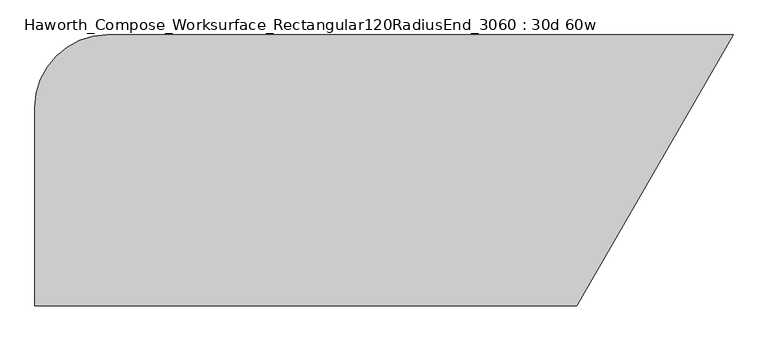
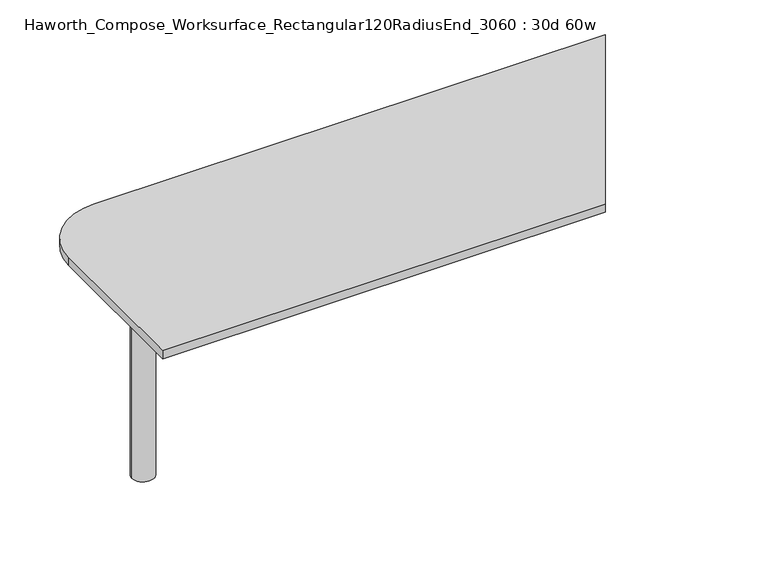
"""IFC4 building model written with IfcOpenShell, lengths in millimetres: furniture geometry, Haworth_Compose_Worksurface_Rectangular120RadiusEnd_3060 : 30d 60w."""

from ifc_helpers import new_model, si_unit, point, frame, frame_2d, origin, place, context, project, spatial, polyline, circle_curve, trimmed, segment, composite_curve, outline, extrude, source, transform, mapped, element, save
from ifc_brep_helpers import plane_surface, cylinder_surface, advanced_brep


def haworth_compose_worksurface_rectangular120radiusend_3060_30d_2a0c693b(model_context):
    return source(origin(), model_context, "Body", "SolidModel", [
        advanced_brep(
        [(-571.5, 0.0, 706.4375), (-609.6, 0.0, 706.4375), (-647.7, 0.0, 706.4375), (-571.5, 0.0, 0.0), (-647.7, 0.0, 0.0), (-609.6, 0.0, 0.0)],
        [
            (0, 1),
            (1, 2),
            (2, 0, circle_curve(frame((-609.6, 0.0, 706.4375), z_axis=(0.0, 0.0, 1.0), x_axis=(-1.0, 0.0, 0.0)), 38.1)),
            (0, 2, circle_curve(frame((-609.6, 0.0, 706.4375), z_axis=(0.0, 0.0, 1.0), x_axis=(-1.0, 0.0, 0.0)), 38.1)),
            (3, 0),
            (2, 4),
            (4, 3, circle_curve(frame((-609.6, 0.0, 0.0), z_axis=(0.0, 0.0, 1.0), x_axis=(-1.0, 0.0, 0.0)), 38.1)),
            (3, 4, circle_curve(frame((-609.6, 0.0, 0.0), z_axis=(0.0, 0.0, 1.0), x_axis=(-1.0, 0.0, 0.0)), 38.1)),
            (5, 3),
            (4, 5),
        ],
        [
            plane_surface(frame((-609.6, 0.0, 706.4375), z_axis=(0.0, 0.0, 1.0), x_axis=(-1.0, 0.0, 0.0))),
            cylinder_surface(frame((-609.6, 0.0, 889.623257), z_axis=(0.0, 0.0, -1.0), x_axis=(-1.0, 0.0, 0.0)), 38.1),
            plane_surface(frame((-609.6, 0.0, 0.0), z_axis=(0.0, 0.0, -1.0), x_axis=(-1.0, 0.0, 0.0))),
        ],
        [
            (0, [[1, 2, 3]]),
            (0, [[-2, -1, 4]]),
            (1, [[5, -3, 6, 7]]),
            (1, [[-6, -4, -5, 8]]),
            (2, [[9, -7, 10]]),
            (2, [[-10, -8, -9]]),
        ],
    ),
        extrude(outline(composite_curve([segment(polyline([(762.0, -381.0), (-762.0, -381.0), (-762.0, 177.8)]), True, "CONTINUOUS"), segment(trimmed(circle_curve(frame_2d((-558.8, 177.8)), 203.2), [point((-762.0, 177.8))], [point((-558.8, 381.0))], False, "CARTESIAN"), True, "CONTINUOUS"), segment(polyline([(-558.8, 381.0), (1201.9409051, 381.0), (762.0, -381.0)]), True, "CONTINUOUS")], self_intersect=False)), frame((0.0, 0.0, 706.4375), z_axis=(0.0, 0.0, 1.0), x_axis=(1.0, 0.0, 0.0)), (0.0, 0.0, 1.0), 30.1625),
    ])


if __name__ == "__main__":
    model = new_model("IFC4")
    model_context = context("Model", 3, world=origin())
    ifc_project = project(units=[si_unit("LENGTHUNIT", "METRE", prefix="MILLI")], contexts=[model_context])
    site = spatial("IfcSite", under=ifc_project)
    building = spatial("IfcBuilding", under=site)
    placement = place(None, origin())
    haworth_compose_worksurface_rectangular120radiusend_3060_30d_shape = haworth_compose_worksurface_rectangular120radiusend_3060_30d_2a0c693b(model_context)
    element("IfcFurniture", 1, ObjectType="Haworth_Compose_Worksurface_Rectangular120RadiusEnd_3060 : 30d 60w", at=placement, inside=building, context=model_context, shape_type="MappedRepresentation", body=[
        mapped(haworth_compose_worksurface_rectangular120radiusend_3060_30d_shape, transform((0.0, 0.0, 0.0), x_axis=(1.0, 0.0, 0.0), y_axis=(0.0, 1.0, 0.0), z_axis=(0.0, 0.0, 1.0))),
    ])
    save(model, "model.ifc")
